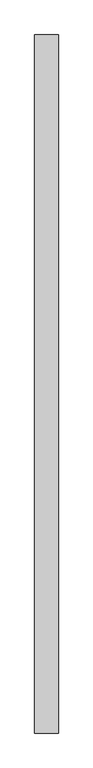
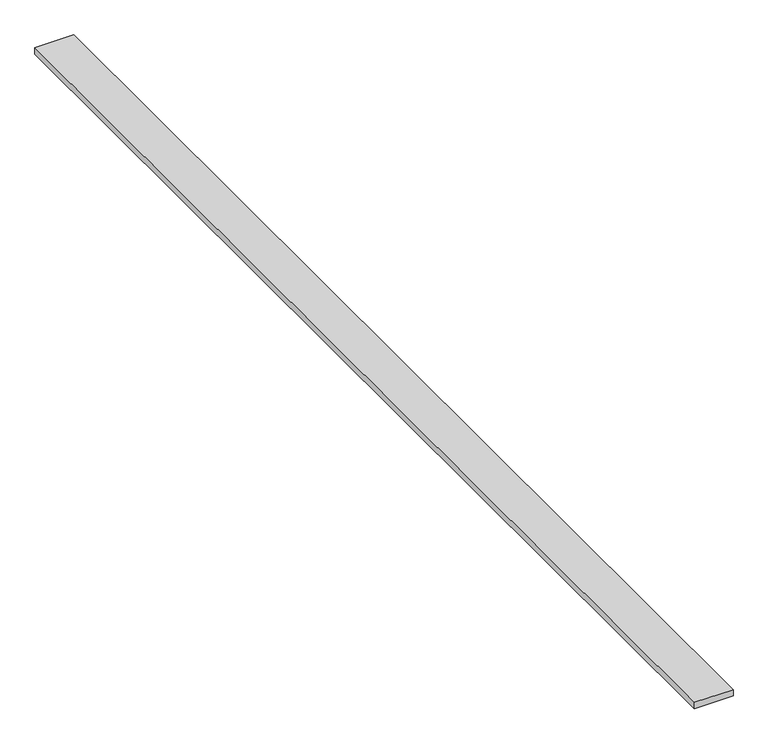
"""IFC4 building model written with IfcOpenShell, lengths in millimetres: proxy geometry."""

import ifcopenshell
import ifcopenshell.guid

model = None  # the IFC model being written
_history = None  # IfcOwnerHistory: only IFC2X3 demands one
_inside = {}  # id of a spatial element -> (the spatial element, [elements in it])
_under = {}  # id of a project, library or spatial element -> (it, [spatial elements below it])
_declared = {}  # id of a project -> (the project, [libraries it declares])
_typed = {}  # id of a type object -> (the type object, [elements of that type])
_made_of = {}  # id of a material, layer set ... -> (it, [elements and type objects made of it])


def new_model(schema):
    """Start an empty IFC model of exactly this schema.

    Asked for "IFC4X3", IfcOpenShell would pick the latest addendum, in which some entities
    have other attributes; the version numbers below select the first issue.
    IFC2X3 requires an IfcOwnerHistory on every rooted entity: one is made here for all.
    """
    global model, _history
    if schema == "IFC4X3":
        model = ifcopenshell.file(schema_version=(4, 3, 0, 0))
    else:
        model = ifcopenshell.file(schema=schema)
    _inside.clear()
    _under.clear()
    _declared.clear()
    _typed.clear()
    _made_of.clear()
    _history = None
    if model.schema == "IFC2X3":
        org = make("IfcOrganization", Name="unknown")
        user = make(
            "IfcPersonAndOrganization",
            ThePerson=make("IfcPerson", FamilyName="unknown"),
            TheOrganization=org,
        )
        app = make(
            "IfcApplication",
            ApplicationDeveloper=org,
            Version="unknown",
            ApplicationFullName="unknown",
            ApplicationIdentifier="unknown",
        )
        _history = make(
            "IfcOwnerHistory",
            OwningUser=user,
            OwningApplication=app,
            ChangeAction="ADDED",
            CreationDate=0,
        )
    return model


def make(cls, **values):
    """One entity of the class cls with the attributes given. An attribute that is None is left unset."""
    return model.create_entity(
        cls, **{name: value for name, value in values.items() if value is not None}
    )


def rooted(cls, **values):
    """An entity with a GlobalId (a new one), such as an element, a storey or a relation."""
    return make(cls, GlobalId=ifcopenshell.guid.new(), OwnerHistory=_history, **values)


def si_unit(unit_type, name, prefix=None):
    """IfcSIUnit, for example si_unit("LENGTHUNIT", "METRE", prefix="MILLI")."""
    return make("IfcSIUnit", UnitType=unit_type, Prefix=prefix, Name=name)


def assignment(units):
    """IfcUnitAssignment: the units of a project."""
    return None if units is None else make("IfcUnitAssignment", Units=units)


def point(xyz):
    """IfcCartesianPoint."""
    return None if xyz is None else make("IfcCartesianPoint", Coordinates=xyz)


def direction(xyz):
    """IfcDirection."""
    return None if xyz is None else make("IfcDirection", DirectionRatios=xyz)


def frame(location, z_axis=None, x_axis=None):
    """IfcAxis2Placement3D, a coordinate frame: its origin and axes. An axis left out is left unset."""
    return make(
        "IfcAxis2Placement3D",
        Location=point(location),
        Axis=direction(z_axis),
        RefDirection=direction(x_axis),
    )


def origin():
    """The frame at (0, 0, 0) with its axes left unset."""
    return frame((0.0, 0.0, 0.0))


def place(relative_to, where):
    """IfcLocalPlacement: puts the frame where relative to a parent placement (None: the world)."""
    return make(
        "IfcLocalPlacement", PlacementRelTo=relative_to, RelativePlacement=where
    )


def context(
    kind, dimensions, precision=None, world=None, true_north=None, identifier=None
):
    """IfcGeometricRepresentationContext, for example the 3D "Model" context."""
    return make(
        "IfcGeometricRepresentationContext",
        ContextIdentifier=identifier,
        ContextType=kind,
        CoordinateSpaceDimension=dimensions,
        Precision=precision,
        WorldCoordinateSystem=world,
        TrueNorth=true_north,
    )


def project(units=None, contexts=None):
    """IfcProject with its units and contexts."""
    return rooted(
        "IfcProject",
        Name="project",
        RepresentationContexts=contexts,
        UnitsInContext=assignment(units),
    )


def spatial(cls, under=None, at=None, **own):
    """A site, building, storey or space (cls), placed at a placement, below another one or the project."""
    s = rooted(cls, ObjectPlacement=at, **own)
    if under is not None:
        _under.setdefault(under.id(), (under, []))[1].append(s)
    return s


def polyline(points):
    """IfcPolyline through the points."""
    return make("IfcPolyline", Points=[point(p) for p in points])


def outline(outer, holes=None, kind="AREA"):
    """IfcArbitraryClosedProfileDef: a profile drawn as a closed curve; with holes, ...WithVoids."""
    if holes is None:
        return make("IfcArbitraryClosedProfileDef", ProfileType=kind, OuterCurve=outer)
    return make(
        "IfcArbitraryProfileDefWithVoids",
        ProfileType=kind,
        OuterCurve=outer,
        InnerCurves=holes,
    )


def extrude(swept, where, along, depth):
    """IfcExtrudedAreaSolid: the profile swept, set in the frame where, extruded along a direction by depth."""
    return make(
        "IfcExtrudedAreaSolid",
        SweptArea=swept,
        Position=where,
        ExtrudedDirection=direction(along),
        Depth=depth,
    )


def shape(context_of_items, identifier, shape_type, items):
    """IfcShapeRepresentation: the items that make up one representation, for example the "Body"."""
    return make(
        "IfcShapeRepresentation",
        ContextOfItems=context_of_items,
        RepresentationIdentifier=identifier,
        RepresentationType=shape_type,
        Items=items,
    )


def source(mapping_origin, context_of_items, identifier, shape_type, items):
    """IfcRepresentationMap: a shape defined once, which mapped items show again and again."""
    return make(
        "IfcRepresentationMap",
        MappingOrigin=mapping_origin,
        MappedRepresentation=shape(context_of_items, identifier, shape_type, items),
    )


def transform(
    local_origin,
    x_axis=None,
    y_axis=None,
    z_axis=None,
    scale=None,
    scale2=None,
    scale3=None,
    uniform=True,
):
    """IfcCartesianTransformationOperator3D, or its non-uniform kind. x_axis, y_axis, z_axis: its Axis1, 2, 3."""
    if uniform:
        return make(
            "IfcCartesianTransformationOperator3D",
            Axis1=direction(x_axis),
            Axis2=direction(y_axis),
            LocalOrigin=point(local_origin),
            Scale=scale,
            Axis3=direction(z_axis),
        )
    return make(
        "IfcCartesianTransformationOperator3DnonUniform",
        Axis1=direction(x_axis),
        Axis2=direction(y_axis),
        LocalOrigin=point(local_origin),
        Scale=scale,
        Axis3=direction(z_axis),
        Scale2=scale2,
        Scale3=scale3,
    )


def mapped(mapping_source, mapping_target):
    """IfcMappedItem: shows the shape of a source again, moved by a transform."""
    return make(
        "IfcMappedItem", MappingSource=mapping_source, MappingTarget=mapping_target
    )


def made_of(thing, what):
    """Note that an element or type object is made of a material, layer set ...; save() writes the relation."""
    if what is not None:
        _made_of.setdefault(what.id(), (what, []))[1].append(thing)
    return thing


def element(
    cls,
    number,
    at=None,
    inside=None,
    cuts=None,
    type_object=None,
    material=None,
    context=None,
    identifier="Body",
    shape_type=None,
    held_by="IfcProductDefinitionShape",
    body=None,
    shapes=None,
    **own,
):
    """One element of the class cls, such as IfcWall. Its Tag is "e" and its number.

    at: its placement. inside: the storey or other place that contains it. cuts: it is an
    opening in that element (IfcRelVoidsElement). A single representation is given by context,
    identifier, shape_type and body (its items); several are given by shapes. held_by: the class
    of the entity that holds the representations. save() writes the other relations.
    """
    e = rooted(cls, Tag="e%d" % number, ObjectPlacement=at, **own)
    if body is not None:
        shapes = [shape(context, identifier, shape_type, body)]
    if shapes is not None:
        e.Representation = make(held_by, Representations=shapes)
    if inside is not None:
        _inside.setdefault(inside.id(), (inside, []))[1].append(e)
    if cuts is not None:
        rooted(
            "IfcRelVoidsElement", RelatingBuildingElement=cuts, RelatedOpeningElement=e
        )
    if type_object is not None:
        _typed.setdefault(type_object.id(), (type_object, []))[1].append(e)
    return made_of(e, material)


def aggregate(whole, parts):
    """IfcRelAggregates: a whole, such as a stair, and the parts it consists of."""
    return rooted("IfcRelAggregates", RelatingObject=whole, RelatedObjects=parts)


def save(model, path):
    """Write the relations noted so far, then the file.

    IfcRelAggregates (storeys below a building ...), IfcRelContainedInSpatialStructure (elements
    in a storey), IfcRelDefinesByType, IfcRelAssociatesMaterial and IfcRelDeclares: one each for
    every whole, place, type object, material and project.
    """
    for whole, parts in _under.values():
        aggregate(whole, parts)
    for where, things in _inside.values():
        rooted(
            "IfcRelContainedInSpatialStructure",
            RelatedElements=things,
            RelatingStructure=where,
        )
    for kind, things in _typed.values():
        rooted("IfcRelDefinesByType", RelatedObjects=things, RelatingType=kind)
    for what, things in _made_of.values():
        rooted("IfcRelAssociatesMaterial", RelatedObjects=things, RelatingMaterial=what)
    for by, libraries in _declared.values():
        rooted("IfcRelDeclares", RelatingContext=by, RelatedDefinitions=libraries)
    model.write(path)


def generic_models_3d16b697(model_context):
    return source(origin(), model_context, "Body", "SweptSolid", [
        extrude(outline(polyline([(37594.2048373, -25196.3529893), (37594.2048373, -18662.4262341), (37815.6463499, -18662.4262341), (37815.6463499, -25196.3529893), (37594.2048373, -25196.3529893)])), frame((0.0, 0.0, 5651.4147181), z_axis=(0.0, 0.0, 1.0), x_axis=(1.0, 0.0, 0.0)), (0.0, 0.0, 1.0), 38.1),
    ])


if __name__ == "__main__":
    model = new_model("IFC4")
    model_context = context("Model", 3, world=origin())
    ifc_project = project(units=[si_unit("LENGTHUNIT", "METRE", prefix="MILLI")], contexts=[model_context])
    site = spatial("IfcSite", under=ifc_project)
    building = spatial("IfcBuilding", under=site)
    placement = place(None, origin())
    generic_models_shape = generic_models_3d16b697(model_context)
    element("IfcBuildingElementProxy", 1, Name="Generic Models", at=placement, inside=building, context=model_context, shape_type="MappedRepresentation", body=[
        mapped(generic_models_shape, transform((0.0, 0.0, 0.0), x_axis=(1.0, 0.0, 0.0), y_axis=(0.0, 1.0, 0.0), z_axis=(0.0, 0.0, 1.0))),
    ])
    save(model, "model.ifc")
